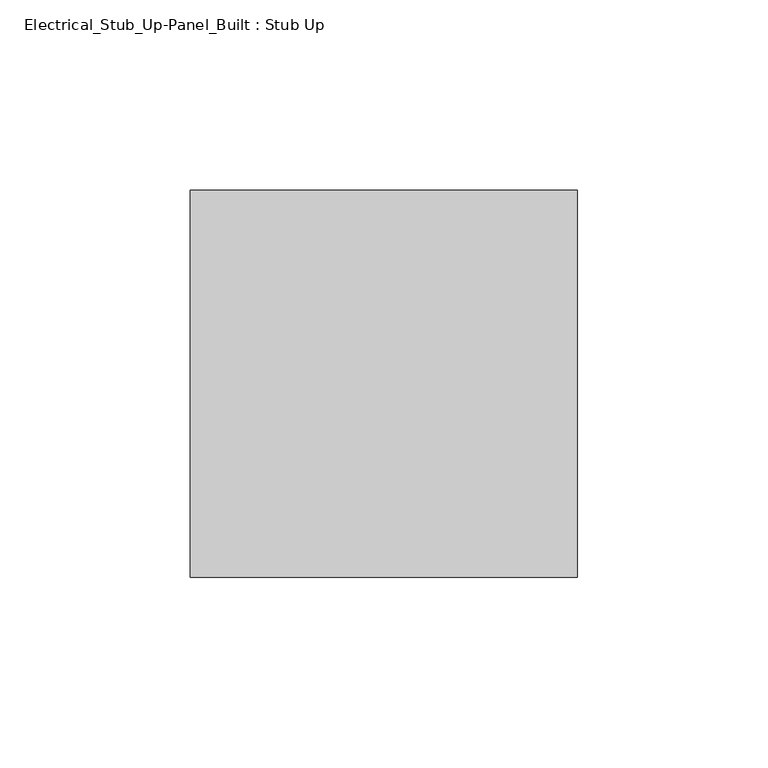
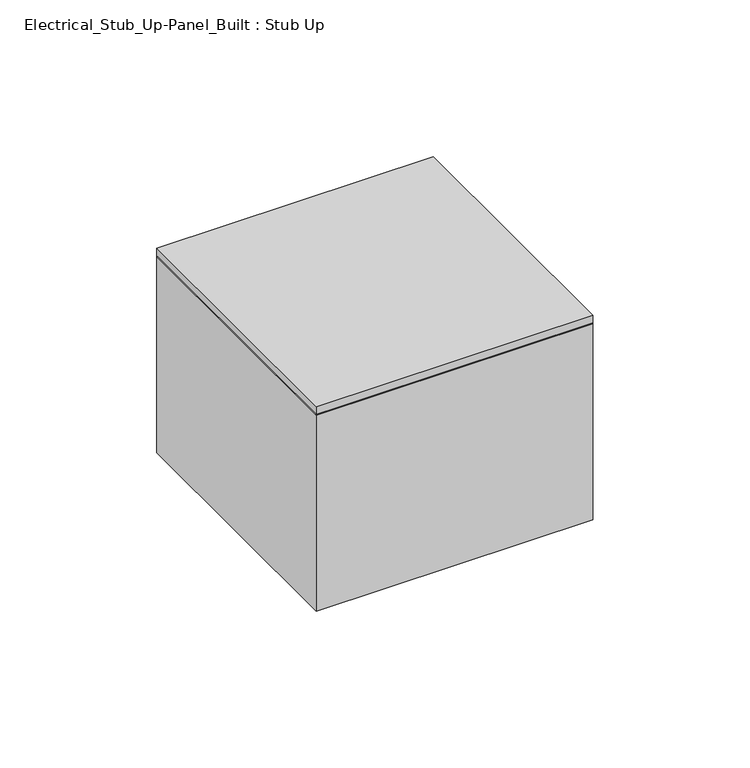
"""IFC4 building model written with IfcOpenShell, lengths in millimetres: proxy geometry, Electrical_Stub_Up-Panel_Built : Stub Up."""

from ifc_helpers import new_model, si_unit, frame, origin, origin_with_axes, place, context, project, spatial, polyline, outline, extrude, source, transform, mapped, element, save


def electrical_stub_up_panel_built_stub_up_dc56ef43(model_context):
    return source(origin(), model_context, "Body", "SweptSolid", [
        extrude(outline(polyline([(50.8, 50.8), (50.8, -50.8), (-50.8, -50.8), (-50.8, 50.8), (50.8, 50.8)])), frame((0.0, 0.0, -76.2), z_axis=(0.0, 0.0, 1.0), x_axis=(1.0, 0.0, 0.0)), (0.0, 0.0, 1.0), 76.2),
        extrude(outline(polyline([(50.8, 50.8), (50.8, -50.8), (-50.8, -50.8), (-50.8, 50.8), (50.8, 50.8)])), origin_with_axes(), (0.0, 0.0, 1.0), 3.175),
    ])


if __name__ == "__main__":
    model = new_model("IFC4")
    model_context = context("Model", 3, world=origin())
    ifc_project = project(units=[si_unit("LENGTHUNIT", "METRE", prefix="MILLI")], contexts=[model_context])
    site = spatial("IfcSite", under=ifc_project)
    building = spatial("IfcBuilding", under=site)
    placement = place(None, origin())
    electrical_stub_up_panel_built_stub_up_shape = electrical_stub_up_panel_built_stub_up_dc56ef43(model_context)
    element("IfcBuildingElementProxy", 1, Name="Electrical_Stub_Up-Panel_Built : Stub Up", ObjectType="Electrical_Stub_Up-Panel_Built : Stub Up", at=placement, inside=building, context=model_context, shape_type="MappedRepresentation", body=[
        mapped(electrical_stub_up_panel_built_stub_up_shape, transform((0.0, 0.0, 0.0), x_axis=(1.0, 0.0, 0.0), y_axis=(0.0, 1.0, 0.0), z_axis=(0.0, 0.0, 1.0))),
    ])
    save(model, "model.ifc")
